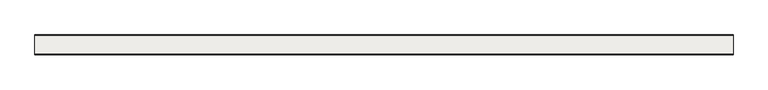
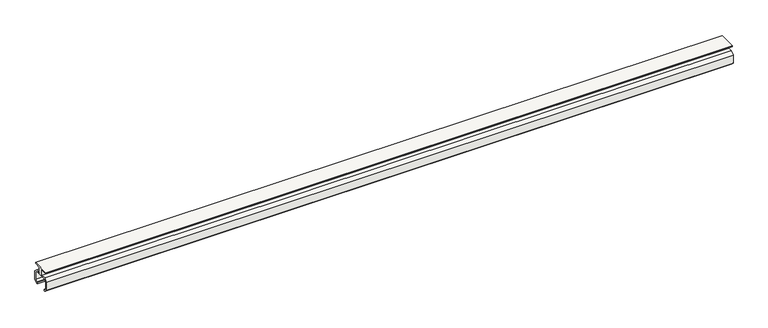
"""IFC4 building model written with IfcOpenShell, lengths in millimetres: covering geometry."""

from ifc_helpers import new_model, si_unit, frame, origin, place, context, project, spatial, polyline, outline, extrude, source, transform, mapped, element, save


def covering_14147e48(model_context):
    return source(origin(), model_context, "Body", "SweptSolid", [
        extrude(outline(polyline([(25.0, 70.0), (25.0, 67.0), (6.5, 67.0), (6.5, 51.0), (20.0, 51.0), (28.0, 43.0), (28.0, 19.0), (20.0, 11.0), (17.0, 11.0), (17.0, 15.2426407), (20.0, 15.2426407), (25.0, 20.2426407), (25.0, 41.7573593), (18.7573593, 48.0), (-6.5, 48.0), (-18.7573593, 48.0), (-25.0, 41.7573593), (-25.0, 20.2426407), (-20.0, 15.2426407), (-17.0, 15.2426407), (-17.0, 11.0), (-20.0, 11.0), (-28.0, 19.0), (-28.0, 43.0), (-20.0, 51.0), (-6.5, 51.0), (-6.5, 67.0), (-25.0, 67.0), (-25.0, 70.0), (25.0, 70.0)])), frame((0.0, 0.0, 0.0), z_axis=(1.0, 0.0, 0.0), x_axis=(0.0, 1.0, 0.0)), (0.0, 0.0, 1.0), 1950.0),
    ])


if __name__ == "__main__":
    model = new_model("IFC4")
    model_context = context("Model", 3, world=origin())
    ifc_project = project(units=[si_unit("LENGTHUNIT", "METRE", prefix="MILLI")], contexts=[model_context])
    site = spatial("IfcSite", under=ifc_project)
    building = spatial("IfcBuilding", under=site)
    placement = place(None, origin())
    covering_shape = covering_14147e48(model_context)
    element("IfcCovering", 1, at=placement, inside=building, context=model_context, shape_type="MappedRepresentation", body=[
        mapped(covering_shape, transform((0.0, 0.0, 0.0), x_axis=(1.0, 0.0, 0.0), y_axis=(0.0, 1.0, 0.0), z_axis=(0.0, 0.0, 1.0))),
    ])
    save(model, "model.ifc")
